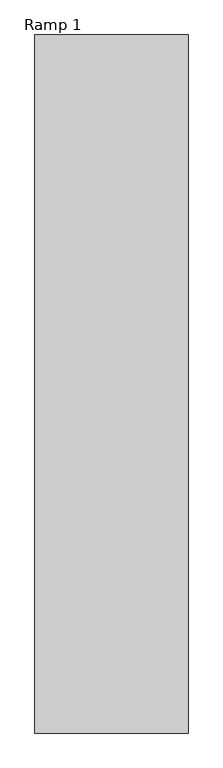
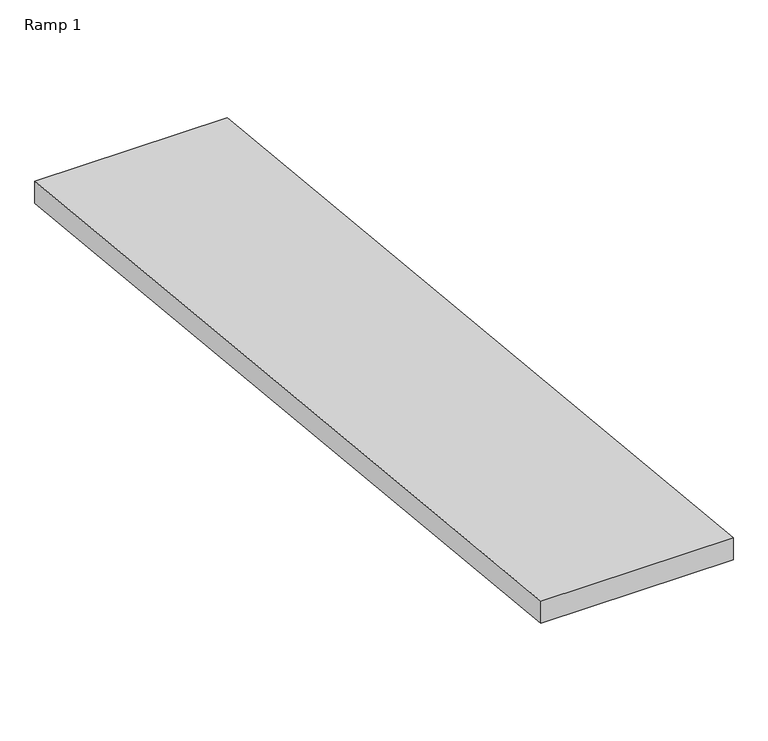
"""IFC4 building model written with IfcOpenShell, lengths in millimetres: ramp geometry, Ramp 1."""

from ifc_helpers import new_model, si_unit, frame, origin, place, context, project, spatial, polyline, outline, extrude, source, transform, mapped, element, save


def ramp_1_92faa24b(model_context):
    return source(origin(), model_context, "Body", "SweptSolid", [
        extrude(outline(polyline([(-107523.1605573, 570.0), (-101823.1605573, 0.0), (-101823.1605573, -150.7481343), (-107523.1605573, 419.2518657), (-107523.1605573, 570.0)])), frame((-310170.1057121, 0.0, 0.0), z_axis=(1.0, 0.0, 0.0), x_axis=(0.0, 1.0, 0.0)), (0.0, 0.0, 1.0), 1250.0),
    ])


if __name__ == "__main__":
    model = new_model("IFC4")
    model_context = context("Model", 3, world=origin())
    ifc_project = project(units=[si_unit("LENGTHUNIT", "METRE", prefix="MILLI")], contexts=[model_context])
    site = spatial("IfcSite", under=ifc_project)
    building = spatial("IfcBuilding", under=site)
    placement = place(None, origin())
    ramp_1_shape = ramp_1_92faa24b(model_context)
    element("IfcRamp", 1, ObjectType="Ramp 1", at=placement, inside=building, context=model_context, shape_type="MappedRepresentation", body=[
        mapped(ramp_1_shape, transform((0.0, 0.0, 0.0), x_axis=(1.0, 0.0, 0.0), y_axis=(0.0, 1.0, 0.0), z_axis=(0.0, 0.0, 1.0))),
    ])
    save(model, "model.ifc")
